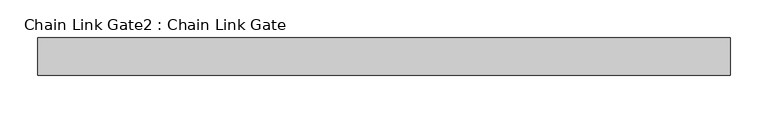
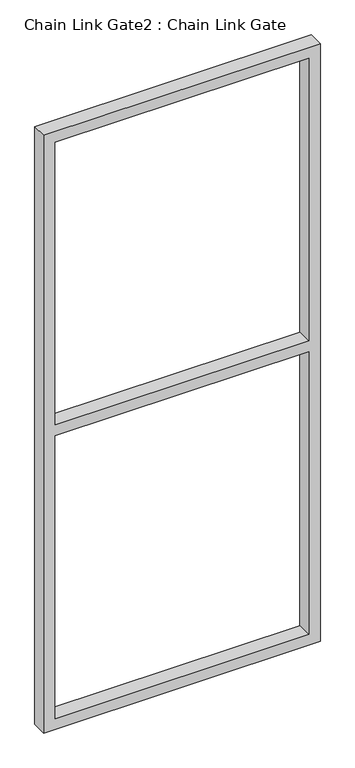
"""IFC4 building model written with IfcOpenShell, lengths in millimetres: proxy geometry, Chain Link Gate2 : Chain Link Gate."""

import ifcopenshell
import ifcopenshell.guid

model = None  # the IFC model being written
_history = None  # IfcOwnerHistory: only IFC2X3 demands one
_inside = {}  # id of a spatial element -> (the spatial element, [elements in it])
_under = {}  # id of a project, library or spatial element -> (it, [spatial elements below it])
_declared = {}  # id of a project -> (the project, [libraries it declares])
_typed = {}  # id of a type object -> (the type object, [elements of that type])
_made_of = {}  # id of a material, layer set ... -> (it, [elements and type objects made of it])


def new_model(schema):
    """Start an empty IFC model of exactly this schema.

    Asked for "IFC4X3", IfcOpenShell would pick the latest addendum, in which some entities
    have other attributes; the version numbers below select the first issue.
    IFC2X3 requires an IfcOwnerHistory on every rooted entity: one is made here for all.
    """
    global model, _history
    if schema == "IFC4X3":
        model = ifcopenshell.file(schema_version=(4, 3, 0, 0))
    else:
        model = ifcopenshell.file(schema=schema)
    _inside.clear()
    _under.clear()
    _declared.clear()
    _typed.clear()
    _made_of.clear()
    _history = None
    if model.schema == "IFC2X3":
        org = make("IfcOrganization", Name="unknown")
        user = make(
            "IfcPersonAndOrganization",
            ThePerson=make("IfcPerson", FamilyName="unknown"),
            TheOrganization=org,
        )
        app = make(
            "IfcApplication",
            ApplicationDeveloper=org,
            Version="unknown",
            ApplicationFullName="unknown",
            ApplicationIdentifier="unknown",
        )
        _history = make(
            "IfcOwnerHistory",
            OwningUser=user,
            OwningApplication=app,
            ChangeAction="ADDED",
            CreationDate=0,
        )
    return model


def make(cls, **values):
    """One entity of the class cls with the attributes given. An attribute that is None is left unset."""
    return model.create_entity(
        cls, **{name: value for name, value in values.items() if value is not None}
    )


def rooted(cls, **values):
    """An entity with a GlobalId (a new one), such as an element, a storey or a relation."""
    return make(cls, GlobalId=ifcopenshell.guid.new(), OwnerHistory=_history, **values)


def si_unit(unit_type, name, prefix=None):
    """IfcSIUnit, for example si_unit("LENGTHUNIT", "METRE", prefix="MILLI")."""
    return make("IfcSIUnit", UnitType=unit_type, Prefix=prefix, Name=name)


def assignment(units):
    """IfcUnitAssignment: the units of a project."""
    return None if units is None else make("IfcUnitAssignment", Units=units)


def point(xyz):
    """IfcCartesianPoint."""
    return None if xyz is None else make("IfcCartesianPoint", Coordinates=xyz)


def direction(xyz):
    """IfcDirection."""
    return None if xyz is None else make("IfcDirection", DirectionRatios=xyz)


def frame(location, z_axis=None, x_axis=None):
    """IfcAxis2Placement3D, a coordinate frame: its origin and axes. An axis left out is left unset."""
    return make(
        "IfcAxis2Placement3D",
        Location=point(location),
        Axis=direction(z_axis),
        RefDirection=direction(x_axis),
    )


def origin():
    """The frame at (0, 0, 0) with its axes left unset."""
    return frame((0.0, 0.0, 0.0))


def place(relative_to, where):
    """IfcLocalPlacement: puts the frame where relative to a parent placement (None: the world)."""
    return make(
        "IfcLocalPlacement", PlacementRelTo=relative_to, RelativePlacement=where
    )


def context(
    kind, dimensions, precision=None, world=None, true_north=None, identifier=None
):
    """IfcGeometricRepresentationContext, for example the 3D "Model" context."""
    return make(
        "IfcGeometricRepresentationContext",
        ContextIdentifier=identifier,
        ContextType=kind,
        CoordinateSpaceDimension=dimensions,
        Precision=precision,
        WorldCoordinateSystem=world,
        TrueNorth=true_north,
    )


def project(units=None, contexts=None):
    """IfcProject with its units and contexts."""
    return rooted(
        "IfcProject",
        Name="project",
        RepresentationContexts=contexts,
        UnitsInContext=assignment(units),
    )


def spatial(cls, under=None, at=None, **own):
    """A site, building, storey or space (cls), placed at a placement, below another one or the project."""
    s = rooted(cls, ObjectPlacement=at, **own)
    if under is not None:
        _under.setdefault(under.id(), (under, []))[1].append(s)
    return s


def polyline(points):
    """IfcPolyline through the points."""
    return make("IfcPolyline", Points=[point(p) for p in points])


def outline(outer, holes=None, kind="AREA"):
    """IfcArbitraryClosedProfileDef: a profile drawn as a closed curve; with holes, ...WithVoids."""
    if holes is None:
        return make("IfcArbitraryClosedProfileDef", ProfileType=kind, OuterCurve=outer)
    return make(
        "IfcArbitraryProfileDefWithVoids",
        ProfileType=kind,
        OuterCurve=outer,
        InnerCurves=holes,
    )


def extrude(swept, where, along, depth):
    """IfcExtrudedAreaSolid: the profile swept, set in the frame where, extruded along a direction by depth."""
    return make(
        "IfcExtrudedAreaSolid",
        SweptArea=swept,
        Position=where,
        ExtrudedDirection=direction(along),
        Depth=depth,
    )


def shape(context_of_items, identifier, shape_type, items):
    """IfcShapeRepresentation: the items that make up one representation, for example the "Body"."""
    return make(
        "IfcShapeRepresentation",
        ContextOfItems=context_of_items,
        RepresentationIdentifier=identifier,
        RepresentationType=shape_type,
        Items=items,
    )


def source(mapping_origin, context_of_items, identifier, shape_type, items):
    """IfcRepresentationMap: a shape defined once, which mapped items show again and again."""
    return make(
        "IfcRepresentationMap",
        MappingOrigin=mapping_origin,
        MappedRepresentation=shape(context_of_items, identifier, shape_type, items),
    )


def transform(
    local_origin,
    x_axis=None,
    y_axis=None,
    z_axis=None,
    scale=None,
    scale2=None,
    scale3=None,
    uniform=True,
):
    """IfcCartesianTransformationOperator3D, or its non-uniform kind. x_axis, y_axis, z_axis: its Axis1, 2, 3."""
    if uniform:
        return make(
            "IfcCartesianTransformationOperator3D",
            Axis1=direction(x_axis),
            Axis2=direction(y_axis),
            LocalOrigin=point(local_origin),
            Scale=scale,
            Axis3=direction(z_axis),
        )
    return make(
        "IfcCartesianTransformationOperator3DnonUniform",
        Axis1=direction(x_axis),
        Axis2=direction(y_axis),
        LocalOrigin=point(local_origin),
        Scale=scale,
        Axis3=direction(z_axis),
        Scale2=scale2,
        Scale3=scale3,
    )


def mapped(mapping_source, mapping_target):
    """IfcMappedItem: shows the shape of a source again, moved by a transform."""
    return make(
        "IfcMappedItem", MappingSource=mapping_source, MappingTarget=mapping_target
    )


def made_of(thing, what):
    """Note that an element or type object is made of a material, layer set ...; save() writes the relation."""
    if what is not None:
        _made_of.setdefault(what.id(), (what, []))[1].append(thing)
    return thing


def element(
    cls,
    number,
    at=None,
    inside=None,
    cuts=None,
    type_object=None,
    material=None,
    context=None,
    identifier="Body",
    shape_type=None,
    held_by="IfcProductDefinitionShape",
    body=None,
    shapes=None,
    **own,
):
    """One element of the class cls, such as IfcWall. Its Tag is "e" and its number.

    at: its placement. inside: the storey or other place that contains it. cuts: it is an
    opening in that element (IfcRelVoidsElement). A single representation is given by context,
    identifier, shape_type and body (its items); several are given by shapes. held_by: the class
    of the entity that holds the representations. save() writes the other relations.
    """
    e = rooted(cls, Tag="e%d" % number, ObjectPlacement=at, **own)
    if body is not None:
        shapes = [shape(context, identifier, shape_type, body)]
    if shapes is not None:
        e.Representation = make(held_by, Representations=shapes)
    if inside is not None:
        _inside.setdefault(inside.id(), (inside, []))[1].append(e)
    if cuts is not None:
        rooted(
            "IfcRelVoidsElement", RelatingBuildingElement=cuts, RelatedOpeningElement=e
        )
    if type_object is not None:
        _typed.setdefault(type_object.id(), (type_object, []))[1].append(e)
    return made_of(e, material)


def aggregate(whole, parts):
    """IfcRelAggregates: a whole, such as a stair, and the parts it consists of."""
    return rooted("IfcRelAggregates", RelatingObject=whole, RelatedObjects=parts)


def save(model, path):
    """Write the relations noted so far, then the file.

    IfcRelAggregates (storeys below a building ...), IfcRelContainedInSpatialStructure (elements
    in a storey), IfcRelDefinesByType, IfcRelAssociatesMaterial and IfcRelDeclares: one each for
    every whole, place, type object, material and project.
    """
    for whole, parts in _under.values():
        aggregate(whole, parts)
    for where, things in _inside.values():
        rooted(
            "IfcRelContainedInSpatialStructure",
            RelatedElements=things,
            RelatingStructure=where,
        )
    for kind, things in _typed.values():
        rooted("IfcRelDefinesByType", RelatedObjects=things, RelatingType=kind)
    for what, things in _made_of.values():
        rooted("IfcRelAssociatesMaterial", RelatedObjects=things, RelatingMaterial=what)
    for by, libraries in _declared.values():
        rooted("IfcRelDeclares", RelatingContext=by, RelatedDefinitions=libraries)
    model.write(path)


def chain_link_gate2_chain_link_gate_2c1027b7(model_context):
    return source(origin(), model_context, "Body", "SweptSolid", [
        extrude(outline(polyline([(2120.9, -27021.2118371), (12.7, -27021.2118371), (12.7, -26097.2868371), (2120.9, -26097.2868371), (2120.9, -27021.2118371)]), holes=[polyline([(2082.8, -26983.1118371), (2082.8, -26135.3868371), (1085.85, -26135.3868371), (1085.85, -26983.1118371), (2082.8, -26983.1118371)]), polyline([(1047.75, -26135.3868371), (50.8, -26135.3868371), (50.8, -26983.1118371), (1047.75, -26983.1118371), (1047.75, -26135.3868371)])]), frame((0.0, 17057.3849225, 0.0), z_axis=(0.0, 1.0, 0.0), x_axis=(0.0, 0.0, 1.0)), (0.0, 0.0, 1.0), 50.1314753),
    ])


if __name__ == "__main__":
    model = new_model("IFC4")
    model_context = context("Model", 3, world=origin())
    ifc_project = project(units=[si_unit("LENGTHUNIT", "METRE", prefix="MILLI")], contexts=[model_context])
    site = spatial("IfcSite", under=ifc_project)
    building = spatial("IfcBuilding", under=site)
    placement = place(None, origin())
    chain_link_gate2_chain_link_gate_shape = chain_link_gate2_chain_link_gate_2c1027b7(model_context)
    element("IfcBuildingElementProxy", 1, Name="Chain Link Gate2 : Chain Link Gate", ObjectType="Chain Link Gate2 : Chain Link Gate", at=placement, inside=building, context=model_context, shape_type="MappedRepresentation", body=[
        mapped(chain_link_gate2_chain_link_gate_shape, transform((0.0, 0.0, 0.0), x_axis=(1.0, 0.0, 0.0), y_axis=(0.0, 1.0, 0.0), z_axis=(0.0, 0.0, 1.0))),
    ])
    save(model, "model.ifc")
